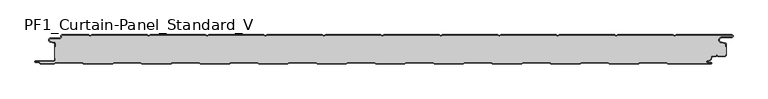
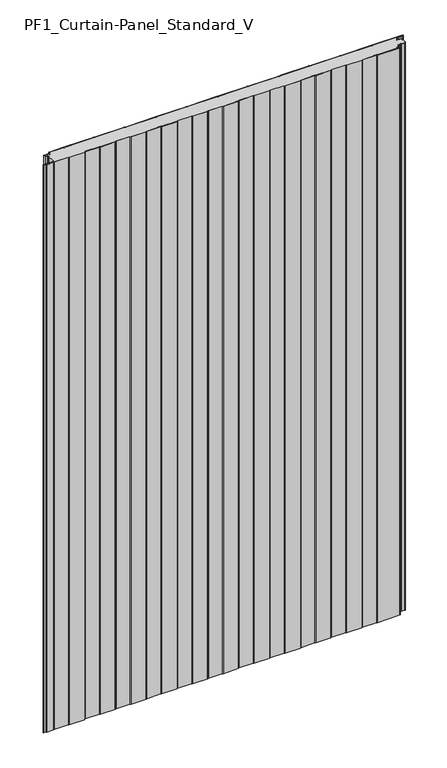
"""IFC4 building model written with IfcOpenShell, lengths in millimetres: plate geometry, PF1_Curtain-Panel_Standard_V."""

from ifc_helpers import new_model, si_unit, point, frame_2d, origin, origin_with_axes, place, context, project, spatial, polyline, circle_curve, trimmed, segment, composite_curve, outline, extrude, source, transform, mapped, element, save


def pf1_curtain_panel_standard_v_aad2c1ba(model_context):
    return source(origin(), model_context, "Body", "SweptSolid", [
        extrude(outline(composite_curve([segment(trimmed(circle_curve(frame_2d((-577.0, -15.878557)), 2.0), [point((-575.0, -15.878557))], [point((-576.5500978, -13.9298169))], True, "CARTESIAN"), True, "CONTINUOUS"), segment(polyline([(-576.5500978, -13.9298169), (-582.7098239, -12.507732)]), True, "CONTINUOUS"), segment(trimmed(circle_curve(frame_2d((-581.9, -9.0)), 3.6), [point((-582.7098239, -12.507732))], [point((-581.9, -5.4))], False, "CARTESIAN"), True, "CONTINUOUS"), segment(polyline([(-581.9, -5.4), (-566.4, -5.4)]), True, "CONTINUOUS"), segment(trimmed(circle_curve(frame_2d((-566.4, -3.4)), 2.0), [point((-566.4, -5.4))], [point((-564.4, -3.4))], True, "CARTESIAN"), True, "CONTINUOUS"), segment(polyline([(-564.4, -3.4), (-564.4, -2.0)]), True, "CONTINUOUS"), segment(trimmed(circle_curve(frame_2d((-562.4, -2.0)), 2.0), [point((-564.4, -2.0))], [point((-562.4, 0.0))], False, "CARTESIAN"), True, "CONTINUOUS"), segment(polyline([(-562.4, 0.0), (-517.0999995, 0.0), (-514.4, -1.5588455), (-511.7000005, 0.0), (-417.0999995, 0.0), (-414.4, -1.5588455), (-411.7000005, 0.0), (-317.0999995, 0.0), (-314.4, -1.5588455), (-311.7000005, 0.0), (-217.0999995, 0.0), (-214.4, -1.5588455), (-211.7000005, 0.0), (-117.0999995, 0.0), (-114.4, -1.5588455), (-111.7000005, 0.0), (-17.0999995, 0.0), (-14.4, -1.5588455), (-11.7000005, 0.0), (82.9000005, 0.0), (85.6, -1.5588455), (88.2999995, 0.0), (182.9000005, 0.0), (185.6, -1.5588455), (188.2999995, 0.0), (282.9000005, 0.0), (285.6, -1.5588455), (288.2999995, 0.0), (382.9000005, 0.0), (385.6, -1.5588455), (388.2999995, 0.0), (482.9000005, 0.0), (485.6, -1.5588455), (488.2999995, 0.0), (583.268846, 0.0)]), True, "CONTINUOUS"), segment(trimmed(circle_curve(frame_2d((583.268846, -2.5)), 2.5), [point((583.268846, 0.0))], [point((583.268846, -5.0))], False, "CARTESIAN"), True, "CONTINUOUS"), segment(polyline([(583.268846, -5.0), (566.268846, -5.0)]), True, "CONTINUOUS"), segment(trimmed(circle_curve(frame_2d((566.268846, -9.0)), 4.0), [point((566.268846, -5.0))], [point((565.574253, -12.939231))], True, "CARTESIAN"), True, "CONTINUOUS"), segment(polyline([(565.574253, -12.939231), (572.0203315, -14.0758491)]), True, "CONTINUOUS"), segment(trimmed(circle_curve(frame_2d((571.568846, -16.6363492)), 2.6), [point((572.0203315, -14.0758491))], [point((574.168846, -16.6363492))], False, "CARTESIAN"), True, "CONTINUOUS"), segment(polyline([(574.168846, -16.6363492), (574.168846, -20.0), (573.368846, -20.0), (573.368846, -16.6363492)]), True, "CONTINUOUS"), segment(trimmed(circle_curve(frame_2d((571.568846, -16.6363492)), 1.8), [point((573.368846, -16.6363492))], [point((571.8814129, -14.8636953))], True, "CARTESIAN"), True, "CONTINUOUS"), segment(polyline([(571.8814129, -14.8636953), (565.4353344, -13.7270772)]), True, "CONTINUOUS"), segment(trimmed(circle_curve(frame_2d((566.268846, -9.0)), 4.8), [point((565.4353344, -13.7270772))], [point((566.268846, -4.2))], False, "CARTESIAN"), True, "CONTINUOUS"), segment(polyline([(566.268846, -4.2), (583.268846, -4.2)]), True, "CONTINUOUS"), segment(trimmed(circle_curve(frame_2d((583.268846, -2.5)), 1.7), [point((583.268846, -4.2))], [point((583.268846, -0.8))], True, "CARTESIAN"), True, "CONTINUOUS"), segment(polyline([(583.268846, -0.8), (488.5143588, -0.8), (485.6, -2.482606), (482.6856412, -0.8), (388.5143588, -0.8), (385.6, -2.482606), (382.6856412, -0.8), (288.5143588, -0.8), (285.6, -2.482606), (282.6856412, -0.8), (188.5143588, -0.8), (185.6, -2.482606), (182.6856412, -0.8), (88.5143588, -0.8), (85.6, -2.482606), (82.6856412, -0.8), (-11.4856412, -0.8), (-14.4, -2.482606), (-17.3143588, -0.8), (-111.4856412, -0.8), (-114.4, -2.482606), (-117.3143588, -0.8), (-211.4856412, -0.8), (-214.4, -2.482606), (-217.3143588, -0.8), (-311.4856412, -0.8), (-314.4, -2.482606), (-317.3143588, -0.8), (-411.4856412, -0.8), (-414.4, -2.482606), (-417.3143588, -0.8), (-511.4856412, -0.8), (-514.4, -2.482606), (-517.3143588, -0.8), (-562.4, -0.8)]), True, "CONTINUOUS"), segment(trimmed(circle_curve(frame_2d((-562.4, -2.0)), 1.2), [point((-562.4, -0.8))], [point((-563.6, -2.0))], True, "CARTESIAN"), True, "CONTINUOUS"), segment(polyline([(-563.6, -2.0), (-563.6, -3.4)]), True, "CONTINUOUS"), segment(trimmed(circle_curve(frame_2d((-566.4, -3.4)), 2.8), [point((-563.6, -3.4))], [point((-566.4, -6.2))], False, "CARTESIAN"), True, "CONTINUOUS"), segment(polyline([(-566.4, -6.2), (-581.9, -6.2)]), True, "CONTINUOUS"), segment(trimmed(circle_curve(frame_2d((-581.9, -9.0)), 2.8), [point((-581.9, -6.2))], [point((-582.529863, -11.7282362))], True, "CARTESIAN"), True, "CONTINUOUS"), segment(polyline([(-582.529863, -11.7282362), (-576.370137, -13.150321)]), True, "CONTINUOUS"), segment(trimmed(circle_curve(frame_2d((-577.0, -15.878557)), 2.8), [point((-576.370137, -13.150321))], [point((-574.2, -15.878557))], False, "CARTESIAN"), True, "CONTINUOUS"), segment(polyline([(-574.2, -15.878557), (-574.2, -20.0), (-575.0, -20.0), (-575.0, -15.878557)]), True, "CONTINUOUS")], self_intersect=False)), origin_with_axes(), (0.0, 0.0, 1.0), 1945.7507136),
        extrude(outline(composite_curve([segment(polyline([(-574.2, -40.0), (-575.0, -40.0), (-575.0, -20.0), (-574.2, -20.0), (-574.2, -15.878557)]), True, "CONTINUOUS"), segment(trimmed(circle_curve(frame_2d((-577.0, -15.878557)), 2.8), [point((-574.2, -15.878557))], [point((-576.370137, -13.1503208))], True, "CARTESIAN"), True, "CONTINUOUS"), segment(polyline([(-576.370137, -13.1503208), (-582.529863, -11.728236)]), True, "CONTINUOUS"), segment(trimmed(circle_curve(frame_2d((-581.9, -9.0)), 2.8), [point((-582.529863, -11.728236))], [point((-581.9, -6.2))], False, "CARTESIAN"), True, "CONTINUOUS"), segment(polyline([(-581.9, -6.2), (-566.4, -6.2)]), True, "CONTINUOUS"), segment(trimmed(circle_curve(frame_2d((-566.4, -3.4)), 2.8), [point((-566.4, -6.2))], [point((-563.6, -3.4))], True, "CARTESIAN"), True, "CONTINUOUS"), segment(polyline([(-563.6, -3.4), (-563.6, -2.0)]), True, "CONTINUOUS"), segment(trimmed(circle_curve(frame_2d((-562.4, -2.0)), 1.2), [point((-563.6, -2.0))], [point((-562.4, -0.8))], False, "CARTESIAN"), True, "CONTINUOUS"), segment(polyline([(-562.4, -0.8), (-517.3143588, -0.8), (-514.4, -2.482606), (-511.4856412, -0.8), (-417.3143588, -0.8), (-414.4, -2.482606), (-411.4856412, -0.8), (-317.3143588, -0.8), (-314.4, -2.482606), (-311.4856412, -0.8), (-217.3143588, -0.8), (-214.4, -2.482606), (-211.4856412, -0.8), (-117.3143588, -0.8), (-114.4, -2.482606), (-111.4856412, -0.8), (-17.3143588, -0.8), (-14.4, -2.482606), (-11.4856412, -0.8), (82.6856412, -0.8), (85.6, -2.482606), (88.5143588, -0.8), (182.6856412, -0.8), (185.6, -2.482606), (188.5143588, -0.8), (282.6856412, -0.8), (285.6, -2.482606), (288.5143588, -0.8), (382.6856412, -0.8), (385.6, -2.482606), (388.5143588, -0.8), (482.6856412, -0.8), (485.6, -2.482606), (488.5143588, -0.8), (583.268846, -0.8)]), True, "CONTINUOUS"), segment(trimmed(circle_curve(frame_2d((583.268846, -2.5)), 1.7), [point((583.268846, -0.8))], [point((583.268846, -4.2))], False, "CARTESIAN"), True, "CONTINUOUS"), segment(polyline([(583.268846, -4.2), (566.268846, -4.2)]), True, "CONTINUOUS"), segment(trimmed(circle_curve(frame_2d((566.268846, -9.0)), 4.8), [point((566.268846, -4.2))], [point((565.4353344, -13.7270771))], True, "CARTESIAN"), True, "CONTINUOUS"), segment(polyline([(565.4353344, -13.7270771), (571.8814129, -14.8636953)]), True, "CONTINUOUS"), segment(trimmed(circle_curve(frame_2d((571.568846, -16.6363492)), 1.8), [point((571.8814129, -14.8636953))], [point((573.368846, -16.6363492))], False, "CARTESIAN"), True, "CONTINUOUS"), segment(polyline([(573.368846, -16.6363492), (573.368846, -20.0), (574.168846, -20.0), (574.168846, -33.0), (573.368846, -33.0), (573.368846, -34.4)]), True, "CONTINUOUS"), segment(trimmed(circle_curve(frame_2d((571.568846, -34.4)), 1.8), [point((573.368846, -34.4))], [point((571.568846, -36.2))], False, "CARTESIAN"), True, "CONTINUOUS"), segment(polyline([(571.568846, -36.2), (560.0002158, -36.2), (558.168846, -34.3686285), (556.3374762, -36.2), (550.168846, -36.2)]), True, "CONTINUOUS"), segment(trimmed(circle_curve(frame_2d((550.168846, -38.0)), 1.8), [point((550.168846, -36.2))], [point((548.368846, -38.0))], True, "CARTESIAN"), True, "CONTINUOUS"), segment(polyline([(548.368846, -38.0), (548.368846, -38.8276204)]), True, "CONTINUOUS"), segment(trimmed(circle_curve(frame_2d((542.9964664, -38.8276204)), 5.3723796), [point((548.368846, -38.8276204))], [point((542.9964664, -44.2))], False, "CARTESIAN"), True, "CONTINUOUS"), segment(polyline([(542.9964664, -44.2), (542.168846, -44.2)]), True, "CONTINUOUS"), segment(trimmed(circle_curve(frame_2d((542.168846, -46.4)), 2.2), [point((542.168846, -44.2))], [point((542.168846, -48.6))], True, "CARTESIAN"), True, "CONTINUOUS"), segment(polyline([(542.168846, -48.6), (548.0579973, -48.6)]), True, "CONTINUOUS"), segment(trimmed(circle_curve(frame_2d((548.0579973, -48.9)), 0.3), [point((548.0579973, -48.6))], [point((548.0579973, -49.2))], False, "CARTESIAN"), True, "CONTINUOUS"), segment(polyline([(548.0579973, -49.2), (474.2152562, -49.2), (471.6171786, -47.7), (426.3884624, -47.7), (423.7903848, -49.2), (374.2152562, -49.2), (371.6171786, -47.7), (326.3884624, -47.7), (323.7903848, -49.2), (274.2152562, -49.2), (271.6171786, -47.7), (226.3884624, -47.7), (223.7903848, -49.2), (174.2152562, -49.2), (171.6171786, -47.7), (126.3884624, -47.7), (123.7903848, -49.2), (74.2152562, -49.2), (71.6171786, -47.7), (26.3884624, -47.7), (23.7903848, -49.2), (-25.7847438, -49.2), (-28.3828214, -47.7), (-73.6115376, -47.7), (-76.2096152, -49.2), (-125.7847438, -49.2), (-128.3828214, -47.7), (-173.6115376, -47.7), (-176.2096152, -49.2), (-225.7847438, -49.2), (-228.3828214, -47.7), (-273.6115376, -47.7), (-276.2096152, -49.2), (-325.7847438, -49.2), (-328.3828214, -47.7), (-373.6115376, -47.7), (-376.2096152, -49.2), (-425.7847438, -49.2), (-428.3828214, -47.7), (-473.6115376, -47.7), (-476.2096152, -49.2), (-525.7847438, -49.2), (-528.3828214, -47.7), (-573.6115376, -47.7), (-576.2096152, -49.2), (-599.4, -49.2)]), True, "CONTINUOUS"), segment(trimmed(circle_curve(frame_2d((-599.4, -48.4)), 0.8), [point((-599.4, -49.2))], [point((-600.2, -48.4))], False, "CARTESIAN"), True, "CONTINUOUS"), segment(trimmed(circle_curve(frame_2d((-601.9, -48.6133333)), 1.7133333), [point((-600.2, -48.4))], [point((-601.9, -46.9))], True, "CARTESIAN"), True, "CONTINUOUS"), segment(polyline([(-601.9, -46.9), (-607.8700312, -46.9)]), True, "CONTINUOUS"), segment(trimmed(circle_curve(frame_2d((-607.8700312, -46.6)), 0.3), [point((-607.8700312, -46.9))], [point((-607.8700312, -46.3))], False, "CARTESIAN"), True, "CONTINUOUS"), segment(polyline([(-607.8700312, -46.3), (-577.0, -46.3)]), True, "CONTINUOUS"), segment(trimmed(circle_curve(frame_2d((-577.0, -43.5)), 2.8), [point((-577.0, -46.3))], [point((-574.2, -43.5))], True, "CARTESIAN"), True, "CONTINUOUS"), segment(polyline([(-574.2, -43.5), (-574.2, -40.0)]), True, "CONTINUOUS")], self_intersect=False)), origin_with_axes(), (0.0, 0.0, 1.0), 1945.7507136),
        extrude(outline(composite_curve([segment(polyline([(-575.0, -40.0), (-574.2, -40.0), (-574.2, -43.5)]), True, "CONTINUOUS"), segment(trimmed(circle_curve(frame_2d((-577.0, -43.5)), 2.8), [point((-574.2, -43.5))], [point((-577.0, -46.3))], False, "CARTESIAN"), True, "CONTINUOUS"), segment(polyline([(-577.0, -46.3), (-607.8700312, -46.3)]), True, "CONTINUOUS"), segment(trimmed(circle_curve(frame_2d((-607.8700312, -46.6)), 0.3), [point((-607.8700312, -46.3))], [point((-607.8700312, -46.9))], True, "CARTESIAN"), True, "CONTINUOUS"), segment(polyline([(-607.8700312, -46.9), (-601.9, -46.9)]), True, "CONTINUOUS"), segment(trimmed(circle_curve(frame_2d((-601.9, -48.6133333)), 1.7133333), [point((-601.9, -46.9))], [point((-600.2, -48.4))], False, "CARTESIAN"), True, "CONTINUOUS"), segment(trimmed(circle_curve(frame_2d((-599.4, -48.4)), 0.8), [point((-600.2, -48.4))], [point((-599.4, -49.2))], True, "CARTESIAN"), True, "CONTINUOUS"), segment(polyline([(-599.4, -49.2), (-576.2096152, -49.2), (-573.6115376, -47.7), (-528.3828214, -47.7), (-525.7847438, -49.2), (-476.2096152, -49.2), (-473.6115376, -47.7), (-428.3828214, -47.7), (-425.7847438, -49.2), (-376.2096152, -49.2), (-373.6115376, -47.7), (-328.3828214, -47.7), (-325.7847438, -49.2), (-276.2096152, -49.2), (-273.6115376, -47.7), (-228.3828214, -47.7), (-225.7847438, -49.2), (-176.2096152, -49.2), (-173.6115376, -47.7), (-128.3828214, -47.7), (-125.7847438, -49.2), (-76.2096152, -49.2), (-73.6115376, -47.7), (-28.3828214, -47.7), (-25.7847438, -49.2), (23.7903848, -49.2), (26.3884624, -47.7), (71.6171786, -47.7), (74.2152562, -49.2), (123.7903848, -49.2), (126.3884624, -47.7), (171.6171786, -47.7), (174.2152562, -49.2), (223.7903848, -49.2), (226.3884624, -47.7), (271.6171786, -47.7), (274.2152562, -49.2), (323.7903848, -49.2), (326.3884624, -47.7), (371.6171786, -47.7), (374.2152562, -49.2), (423.7903848, -49.2), (426.3884624, -47.7), (471.6171786, -47.7), (474.2152562, -49.2), (548.0579973, -49.2)]), True, "CONTINUOUS"), segment(trimmed(circle_curve(frame_2d((548.0579973, -48.9)), 0.3), [point((548.0579973, -49.2))], [point((548.0579973, -48.6))], True, "CARTESIAN"), True, "CONTINUOUS"), segment(polyline([(548.0579973, -48.6), (542.168846, -48.6)]), True, "CONTINUOUS"), segment(trimmed(circle_curve(frame_2d((542.168846, -46.4)), 2.2), [point((542.168846, -48.6))], [point((542.168846, -44.2))], False, "CARTESIAN"), True, "CONTINUOUS"), segment(polyline([(542.168846, -44.2), (542.9964664, -44.2)]), True, "CONTINUOUS"), segment(trimmed(circle_curve(frame_2d((542.9964664, -38.8276204)), 5.3723796), [point((542.9964664, -44.2))], [point((548.368846, -38.8276204))], True, "CARTESIAN"), True, "CONTINUOUS"), segment(polyline([(548.368846, -38.8276204), (548.368846, -38.0)]), True, "CONTINUOUS"), segment(trimmed(circle_curve(frame_2d((550.168846, -38.0)), 1.8), [point((548.368846, -38.0))], [point((550.168846, -36.2))], False, "CARTESIAN"), True, "CONTINUOUS"), segment(polyline([(550.168846, -36.2), (556.3374762, -36.2), (558.168846, -34.3686285), (560.0002158, -36.2), (571.568846, -36.2)]), True, "CONTINUOUS"), segment(trimmed(circle_curve(frame_2d((571.568846, -34.4)), 1.8), [point((571.568846, -36.2))], [point((573.368846, -34.4))], True, "CARTESIAN"), True, "CONTINUOUS"), segment(polyline([(573.368846, -34.4), (573.368846, -33.0), (574.168846, -33.0), (574.168846, -34.4)]), True, "CONTINUOUS"), segment(trimmed(circle_curve(frame_2d((571.568846, -34.4)), 2.6), [point((574.168846, -34.4))], [point((571.568846, -37.0))], False, "CARTESIAN"), True, "CONTINUOUS"), segment(polyline([(571.568846, -37.0), (559.6688448, -37.0), (558.168846, -35.4999999), (556.6688472, -37.0), (550.168846, -37.0)]), True, "CONTINUOUS"), segment(trimmed(circle_curve(frame_2d((550.168846, -38.0)), 1.0), [point((550.168846, -37.0))], [point((549.168846, -38.0))], True, "CARTESIAN"), True, "CONTINUOUS"), segment(polyline([(549.168846, -38.0), (549.168846, -38.8276204)]), True, "CONTINUOUS"), segment(trimmed(circle_curve(frame_2d((542.9964664, -38.8276204)), 6.1723796), [point((549.168846, -38.8276204))], [point((542.9964664, -45.0))], False, "CARTESIAN"), True, "CONTINUOUS"), segment(polyline([(542.9964664, -45.0), (542.168846, -45.0)]), True, "CONTINUOUS"), segment(trimmed(circle_curve(frame_2d((542.168846, -46.5)), 1.5), [point((542.168846, -45.0))], [point((542.168846, -48.0))], True, "CARTESIAN"), True, "CONTINUOUS"), segment(polyline([(542.168846, -48.0), (548.168846, -48.0)]), True, "CONTINUOUS"), segment(trimmed(circle_curve(frame_2d((548.168846, -49.0)), 1.0), [point((548.168846, -48.0))], [point((548.168846, -50.0))], False, "CARTESIAN"), True, "CONTINUOUS"), segment(polyline([(548.168846, -50.0), (474.0008969, -50.0), (471.4028193, -48.5), (426.6028217, -48.5), (424.0047441, -50.0), (374.0008969, -50.0), (371.4028193, -48.5), (326.6028217, -48.5), (324.0047441, -50.0), (274.0008969, -50.0), (271.4028193, -48.5), (226.6028217, -48.5), (224.0047441, -50.0), (174.0008969, -50.0), (171.4028193, -48.5), (126.6028217, -48.5), (124.0047441, -50.0), (74.0008969, -50.0), (71.4028193, -48.5), (26.6028217, -48.5), (24.0047441, -50.0), (-25.9991031, -50.0), (-28.5971807, -48.5), (-73.3971783, -48.5), (-75.9952559, -50.0), (-125.9991031, -50.0), (-128.5971807, -48.5), (-173.3971783, -48.5), (-175.9952559, -50.0), (-225.9991031, -50.0), (-228.5971807, -48.5), (-273.3971783, -48.5), (-275.9952559, -50.0), (-325.9991031, -50.0), (-328.5971807, -48.5), (-373.3971783, -48.5), (-375.9952559, -50.0), (-425.9991031, -50.0), (-428.5971807, -48.5), (-473.3971783, -48.5), (-475.9952559, -50.0), (-525.9991031, -50.0), (-528.5971807, -48.5), (-573.3971783, -48.5), (-575.9952559, -50.0), (-599.4, -50.0)]), True, "CONTINUOUS"), segment(trimmed(circle_curve(frame_2d((-599.4, -48.4)), 1.6), [point((-599.4, -50.0))], [point((-601.0, -48.4))], False, "CARTESIAN"), True, "CONTINUOUS"), segment(trimmed(circle_curve(frame_2d((-601.9, -48.4)), 0.9), [point((-601.0, -48.4))], [point((-601.9, -47.5))], True, "CARTESIAN"), True, "CONTINUOUS"), segment(polyline([(-601.9, -47.5), (-608.0, -47.5)]), True, "CONTINUOUS"), segment(trimmed(circle_curve(frame_2d((-608.0, -46.5)), 1.0), [point((-608.0, -47.5))], [point((-608.0, -45.5))], False, "CARTESIAN"), True, "CONTINUOUS"), segment(polyline([(-608.0, -45.5), (-577.0, -45.5)]), True, "CONTINUOUS"), segment(trimmed(circle_curve(frame_2d((-577.0, -43.5)), 2.0), [point((-577.0, -45.5))], [point((-575.0, -43.5))], True, "CARTESIAN"), True, "CONTINUOUS"), segment(polyline([(-575.0, -43.5), (-575.0, -40.0)]), True, "CONTINUOUS")], self_intersect=False)), origin_with_axes(), (0.0, 0.0, 1.0), 1945.7507136),
    ])


if __name__ == "__main__":
    model = new_model("IFC4")
    model_context = context("Model", 3, world=origin())
    ifc_project = project(units=[si_unit("LENGTHUNIT", "METRE", prefix="MILLI")], contexts=[model_context])
    site = spatial("IfcSite", under=ifc_project)
    building = spatial("IfcBuilding", under=site)
    placement = place(None, origin())
    pf1_curtain_panel_standard_v_shape = pf1_curtain_panel_standard_v_aad2c1ba(model_context)
    element("IfcPlate", 1, ObjectType="PF1_Curtain-Panel_Standard_V", at=placement, inside=building, context=model_context, shape_type="MappedRepresentation", body=[
        mapped(pf1_curtain_panel_standard_v_shape, transform((0.0, 0.0, 0.0), x_axis=(1.0, 0.0, 0.0), y_axis=(0.0, 1.0, 0.0), z_axis=(0.0, 0.0, 1.0))),
    ])
    save(model, "model.ifc")
